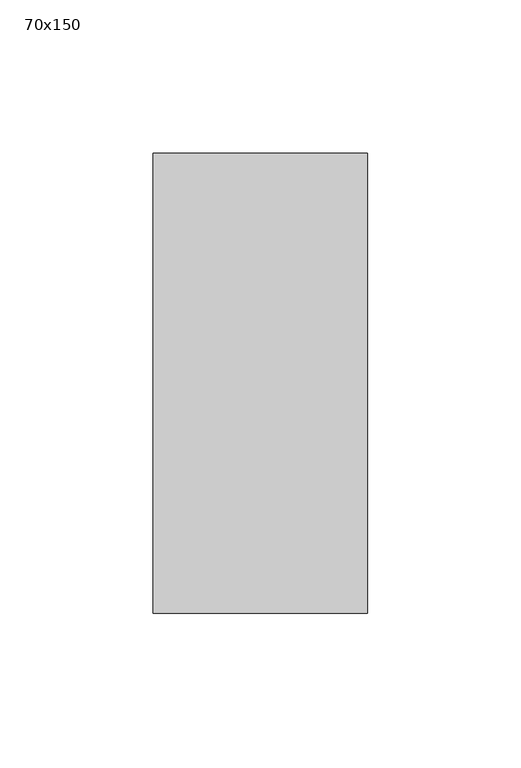
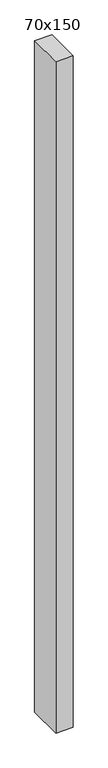
"""IFC4 building model written with IfcOpenShell, lengths in millimetres: member geometry, 70x150."""

from ifc_helpers import new_model, si_unit, frame, origin, place, context, project, spatial, polyline, outline, extrude, source, transform, mapped, element, save


def member_70x150_07c10103(model_context):
    return source(origin(), model_context, "Body", "SweptSolid", [
        extrude(outline(polyline([(35.0, 75.0), (35.0, -75.0), (-35.0, -75.0), (-35.0, 75.0), (35.0, 75.0)])), frame((0.0, 0.0, -2900.0), z_axis=(0.0, 0.0, 1.0), x_axis=(1.0, 0.0, 0.0)), (0.0, 0.0, 1.0), 2900.0),
    ])


if __name__ == "__main__":
    model = new_model("IFC4")
    model_context = context("Model", 3, world=origin())
    ifc_project = project(units=[si_unit("LENGTHUNIT", "METRE", prefix="MILLI")], contexts=[model_context])
    site = spatial("IfcSite", under=ifc_project)
    building = spatial("IfcBuilding", under=site)
    placement = place(None, origin())
    member_70x150_shape = member_70x150_07c10103(model_context)
    element("IfcMember", 1, ObjectType="70x150", at=placement, inside=building, context=model_context, shape_type="MappedRepresentation", body=[
        mapped(member_70x150_shape, transform((0.0, 0.0, 0.0), x_axis=(1.0, 0.0, 0.0), y_axis=(0.0, 1.0, 0.0), z_axis=(0.0, 0.0, 1.0))),
    ])
    save(model, "model.ifc")
